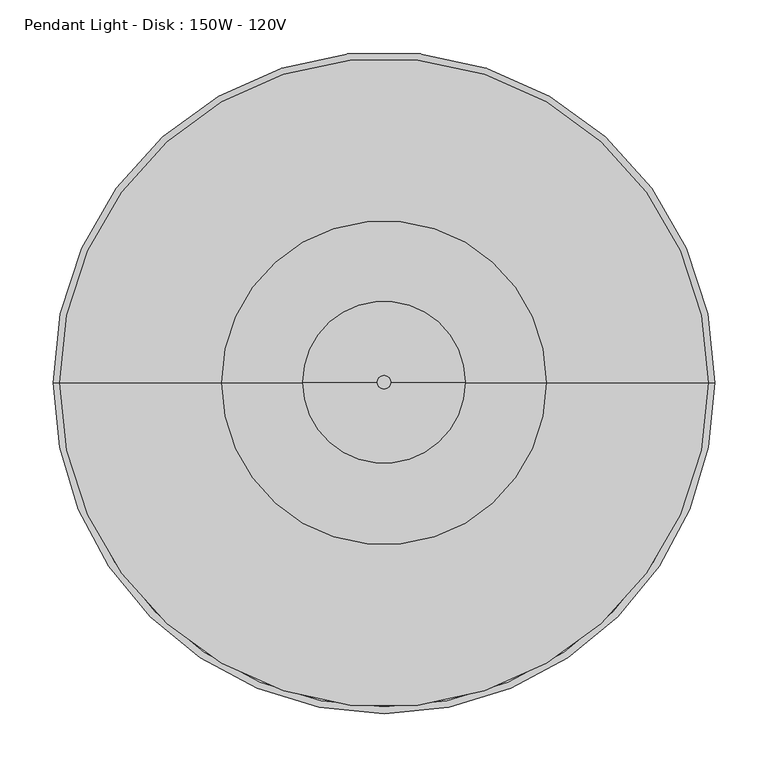
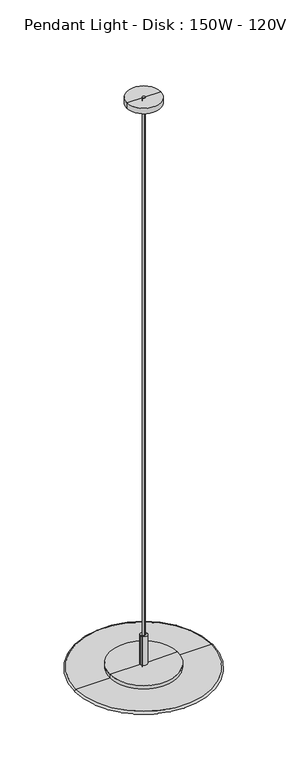
"""IFC4 building model written with IfcOpenShell, lengths in millimetres: light fixture geometry, Pendant Light - Disk : 150W - 120V."""

from ifc_helpers import new_model, si_unit, point, frame, origin, origin_2d, place, context, project, spatial, polyline, circle_curve, ellipse_curve, trimmed, segment, composite_curve, outline, extrude, source, transform, mapped, element, save
from ifc_brep_helpers import plane_surface, cylinder_surface, revolved_surface, advanced_brep


def pendant_light_disk_150w_120v_5610b5d5(model_context):
    return source(origin(), model_context, "Body", "SolidModel", [
        advanced_brep(
        [(15.875, 0.0, -256.724747), (-15.875, 0.0, -256.724747), (-15.875, 0.0, -120.65), (15.875, 0.0, -120.65), (152.4, 0.0, -256.724747), (-152.4, 0.0, -256.724747), (152.4, 0.0, -292.0999938), (-152.4, 0.0, -292.0999938), (38.1, 0.0, -292.0999938), (-38.1, 0.0, -292.0999938), (38.1, 0.0, -273.05), (-38.1, 0.0, -273.05), (0.0, 0.0, -273.05), (0.0, 0.0, -120.65)],
        [
            (0, 1, circle_curve(frame((0.0, 0.0, -256.724747), z_axis=(0.0, 0.0, 1.0), x_axis=(-1.0, 0.0, 0.0)), 15.875)),
            (1, 2),
            (2, 3, circle_curve(frame((0.0, 0.0, -120.65), z_axis=(0.0, 0.0, -1.0), x_axis=(-1.0, 0.0, 0.0)), 15.875)),
            (3, 0),
            (1, 0, circle_curve(frame((0.0, 0.0, -256.724747), z_axis=(0.0, 0.0, 1.0), x_axis=(-1.0, 0.0, 0.0)), 15.875)),
            (3, 2, circle_curve(frame((0.0, 0.0, -120.65), z_axis=(0.0, 0.0, -1.0), x_axis=(-1.0, 0.0, 0.0)), 15.875)),
            (4, 5, circle_curve(frame((0.0, 0.0, -256.724747), z_axis=(0.0, 0.0, 1.0), x_axis=(-1.0, 0.0, 0.0)), 152.4)),
            (5, 1),
            (0, 4),
            (5, 4, circle_curve(frame((0.0, 0.0, -256.724747), z_axis=(0.0, 0.0, 1.0), x_axis=(-1.0, 0.0, 0.0)), 152.4)),
            (6, 7, circle_curve(frame((0.0, 0.0, -292.0999938), z_axis=(0.0, 0.0, 1.0), x_axis=(-1.0, 0.0, 0.0)), 152.4)),
            (7, 5),
            (4, 6),
            (7, 6, circle_curve(frame((0.0, 0.0, -292.0999938), z_axis=(0.0, 0.0, 1.0), x_axis=(-1.0, 0.0, 0.0)), 152.4)),
            (8, 9, circle_curve(frame((0.0, 0.0, -292.0999938), z_axis=(0.0, 0.0, 1.0), x_axis=(-1.0, 0.0, 0.0)), 38.1)),
            (9, 7),
            (6, 8),
            (9, 8, circle_curve(frame((0.0, 0.0, -292.0999938), z_axis=(0.0, 0.0, 1.0), x_axis=(-1.0, 0.0, 0.0)), 38.1)),
            (10, 11, circle_curve(frame((0.0, 0.0, -273.05), z_axis=(0.0, 0.0, 1.0), x_axis=(-1.0, 0.0, 0.0)), 38.1)),
            (11, 9),
            (8, 10),
            (11, 10, circle_curve(frame((0.0, 0.0, -273.05), z_axis=(0.0, 0.0, 1.0), x_axis=(-1.0, 0.0, 0.0)), 38.1)),
            (12, 11),
            (10, 12),
            (2, 13),
            (13, 3),
        ],
        [
            cylinder_surface(frame((0.0, 0.0, -96.5370779), z_axis=(0.0, 0.0, -1.0), x_axis=(-1.0, 0.0, 0.0)), 15.875),
            plane_surface(frame((0.0, 0.0, -256.724747), z_axis=(0.0, 0.0, 1.0), x_axis=(-1.0, 0.0, 0.0))),
            cylinder_surface(frame((0.0, 0.0, -96.5370779), z_axis=(0.0, 0.0, -1.0), x_axis=(-1.0, 0.0, 0.0)), 152.4),
            plane_surface(frame((0.0, 0.0, -292.0999938), z_axis=(0.0, 0.0, -1.0), x_axis=(-1.0, 0.0, 0.0))),
            revolved_surface(polyline([(-38.1, 0.0, -292.0999938), (-38.1, 0.0, -273.05)]), (0.0, 0.0, -96.5370779), (0.0, 0.0, -1.0)),
            plane_surface(frame((0.0, 0.0, -273.05), z_axis=(0.0, 0.0, -1.0), x_axis=(-1.0, 0.0, 0.0))),
            plane_surface(frame((0.0, 0.0, -120.65), z_axis=(0.0, 0.0, 1.0), x_axis=(-1.0, 0.0, 0.0))),
        ],
        [
            (0, [[1, 2, 3, 4]]),
            (0, [[5, -4, 6, -2]]),
            (1, [[7, 8, -1, 9]]),
            (1, [[10, -9, -5, -8]]),
            (2, [[11, 12, -7, 13]]),
            (2, [[14, -13, -10, -12]]),
            (3, [[15, 16, -11, 17]]),
            (3, [[18, -17, -14, -16]]),
            (4, [[19, 20, -15, 21]]),
            (4, [[22, -21, -18, -20]]),
            (5, [[23, -19, 24]]),
            (5, [[-24, -22, -23]]),
            (6, [[-3, 25, 26]]),
            (6, [[-6, -26, -25]]),
        ],
    ),
        extrude(outline(composite_curve([segment(trimmed(circle_curve(origin_2d(), 6.35), [point((0.0, 6.35))], [point((0.0, -6.35))], False, "CARTESIAN"), True, "CONTINUOUS"), segment(trimmed(circle_curve(origin_2d(), 6.35), [point((0.0, -6.35))], [point((0.0, 6.35))], False, "CARTESIAN"), True, "CONTINUOUS")], self_intersect=False)), frame((0.0, 0.0, -292.0999938), z_axis=(0.0, 0.0, 1.0), x_axis=(1.0, 0.0, 0.0)), (0.0, 0.0, 1.0), 2730.5),
        advanced_brep(
        [(0.0, 0.0, -285.75), (-304.8, 0.0, -285.75), (304.8, 0.0, -285.75), (304.8, 0.0, -273.05), (-304.8, 0.0, -273.05), (0.0, 0.0, -273.05)],
        [
            (0, 1),
            (1, 2, circle_curve(frame((0.0, 0.0, -285.75), z_axis=(0.0, 0.0, -1.0), x_axis=(-1.0, 0.0, 0.0)), 304.8)),
            (2, 0),
            (2, 1, circle_curve(frame((0.0, 0.0, -285.75), z_axis=(0.0, 0.0, -1.0), x_axis=(-1.0, 0.0, 0.0)), 304.8)),
            (3, 4, circle_curve(frame((0.0, 0.0, -273.05), z_axis=(0.0, 0.0, 1.0), x_axis=(-1.0, 0.0, 0.0)), 304.8)),
            (4, 5),
            (5, 3),
            (4, 3, circle_curve(frame((0.0, 0.0, -273.05), z_axis=(0.0, 0.0, 1.0), x_axis=(-1.0, 0.0, 0.0)), 304.8)),
            (1, 4, circle_curve(frame((-304.8, 0.0, -279.4), z_axis=(0.0, 1.0, 0.0), x_axis=(0.0, 0.0, -1.0)), 6.35)),
            (3, 2, circle_curve(frame((304.8, 0.0, -279.4), z_axis=(0.0, 1.0, 0.0), x_axis=(0.0, 0.0, -1.0)), 6.35)),
        ],
        [
            plane_surface(frame((0.0, 0.0, -285.75), z_axis=(0.0, 0.0, -1.0), x_axis=(-1.0, 0.0, 0.0))),
            plane_surface(frame((0.0, 0.0, -273.05), z_axis=(0.0, 0.0, 1.0), x_axis=(-1.0, 0.0, 0.0))),
            revolved_surface(trimmed(ellipse_curve(frame((-304.8, 0.0, -279.4), z_axis=(0.0, -1.0, 0.0), x_axis=(0.0, 0.0, -1.0)), 6.35, 6.35), [point((-304.8, 0.0, -273.05))], [point((-304.8, 0.0, -285.75))], True, "CARTESIAN"), (0.0, 0.0, -207.9489124), (0.0, 0.0, -1.0)),
        ],
        [
            (0, [[1, 2, 3]]),
            (0, [[-3, 4, -1]]),
            (1, [[5, 6, 7]]),
            (1, [[8, -7, -6]]),
            (2, [[-2, 9, -5, 10]]),
            (2, [[-4, -10, -8, -9]]),
        ],
    ),
        advanced_brep(
        [(76.2, 0.0, 2413.0000062), (-76.2, 0.0, 2413.0000062), (-76.2, 0.0, 2438.4000062), (76.2, 0.0, 2438.4000062), (0.0, 0.0, 2377.4673627), (0.0, 0.0, 2438.4000062)],
        [
            (0, 1, circle_curve(frame((0.0, 0.0, 2413.0000062), z_axis=(0.0, 0.0, 1.0), x_axis=(-1.0, 0.0, 0.0)), 76.2)),
            (1, 2),
            (2, 3, circle_curve(frame((0.0, 0.0, 2438.4000062), z_axis=(0.0, 0.0, -1.0), x_axis=(-1.0, 0.0, 0.0)), 76.2)),
            (3, 0),
            (1, 0, circle_curve(frame((0.0, 0.0, 2413.0000062), z_axis=(0.0, 0.0, 1.0), x_axis=(-1.0, 0.0, 0.0)), 76.2)),
            (3, 2, circle_curve(frame((0.0, 0.0, 2438.4000062), z_axis=(0.0, 0.0, -1.0), x_axis=(-1.0, 0.0, 0.0)), 76.2)),
            (4, 1),
            (0, 4),
            (2, 5),
            (5, 3),
        ],
        [
            cylinder_surface(frame((0.0, 0.0, 2514.6000062), z_axis=(0.0, 0.0, -1.0), x_axis=(-1.0, 0.0, 0.0)), 76.2),
            revolved_surface(polyline([(-76.2, 0.0, 2413.0000062), (0.0, 0.0, 2377.4673627)]), (0.0, 0.0, 2514.6000062), (0.0, 0.0, -1.0)),
            plane_surface(frame((0.0, 0.0, 2438.4000062), z_axis=(0.0, 0.0, 1.0), x_axis=(-1.0, 0.0, 0.0))),
        ],
        [
            (0, [[1, 2, 3, 4]]),
            (0, [[5, -4, 6, -2]]),
            (1, [[7, -1, 8]]),
            (1, [[-8, -5, -7]]),
            (2, [[-3, 9, 10]]),
            (2, [[-6, -10, -9]]),
        ],
    ),
    ])


if __name__ == "__main__":
    model = new_model("IFC4")
    model_context = context("Model", 3, world=origin())
    ifc_project = project(units=[si_unit("LENGTHUNIT", "METRE", prefix="MILLI")], contexts=[model_context])
    site = spatial("IfcSite", under=ifc_project)
    building = spatial("IfcBuilding", under=site)
    placement = place(None, origin())
    pendant_light_disk_150w_120v_shape = pendant_light_disk_150w_120v_5610b5d5(model_context)
    element("IfcLightFixture", 1, ObjectType="Pendant Light - Disk : 150W - 120V", at=placement, inside=building, context=model_context, shape_type="MappedRepresentation", body=[
        mapped(pendant_light_disk_150w_120v_shape, transform((0.0, 0.0, 0.0), x_axis=(1.0, 0.0, 0.0), y_axis=(0.0, 1.0, 0.0), z_axis=(0.0, 0.0, 1.0))),
    ])
    save(model, "model.ifc")
